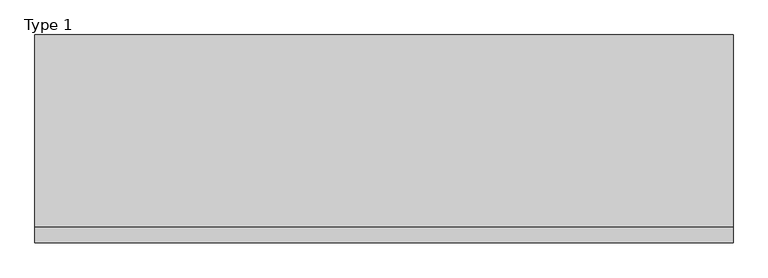
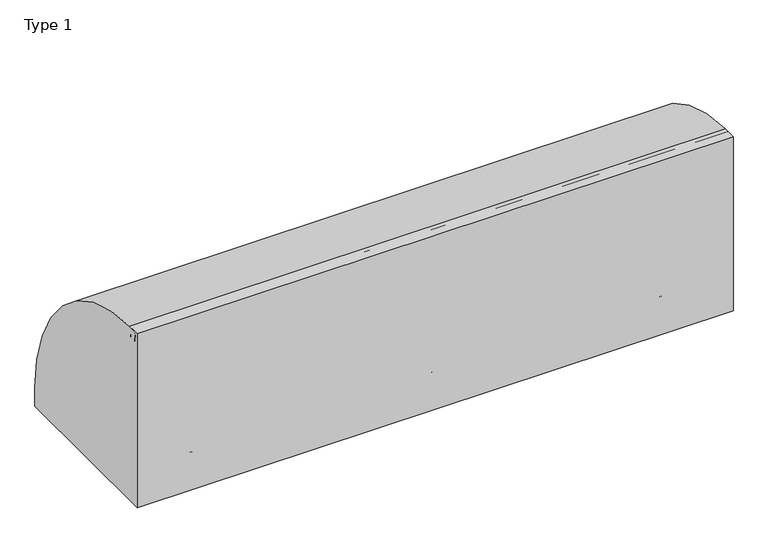
"""IFC4 building model written with IfcOpenShell, lengths in millimetres: railing geometry, Type 1."""

from ifc_helpers import new_model, si_unit, point, frame, frame_2d, origin, origin_with_axes, place, context, project, spatial, polyline, circle_curve, trimmed, segment, composite_curve, outline, extrude, source, transform, mapped, element, save
from ifc_brep_helpers import plane_surface, cylinder_surface, revolved_surface, advanced_brep


def type_1_213b0a68(model_context):
    return source(origin(), model_context, "Body", "SolidModel", [
        extrude(outline(composite_curve([segment(polyline([(-209.2, 1050.0), (-132.6546144, 1050.0)]), True, "CONTINUOUS"), segment(trimmed(circle_curve(frame_2d((-139.8273072, 108.0)), 942.0273072), [point((-132.6546144, 1050.0))], [point((802.2, 108.0))], False, "CARTESIAN"), True, "CONTINUOUS"), segment(polyline([(802.2, 108.0), (802.2, 0.0), (-209.2, 0.0), (-209.2, 1050.0)]), True, "CONTINUOUS")], self_intersect=False)), frame((-300.0, 0.0, 0.0), z_axis=(1.0, 0.0, 0.0), x_axis=(0.0, 1.0, 0.0)), (0.0, 0.0, 1.0), 3400.0),
        extrude(outline(composite_curve([segment(trimmed(circle_curve(frame_2d((-131.287505, 538.0)), 20.0), [point((-112.7, 530.617273))], [point((-147.0, 525.6259343))], False, "CARTESIAN"), True, "CONTINUOUS"), segment(polyline([(-147.0, 525.6259343), (-147.0, 550.3740657)]), True, "CONTINUOUS"), segment(trimmed(circle_curve(frame_2d((-131.287505, 538.0)), 20.0), [point((-147.0, 550.3740657))], [point((-112.7, 545.382727))], False, "CARTESIAN"), True, "CONTINUOUS"), segment(polyline([(-112.7, 545.382727), (-116.7, 545.382727), (-116.7, 530.617273), (-112.7, 530.617273)]), True, "CONTINUOUS")], self_intersect=False)), frame((-250.0, 0.0, 0.0), z_axis=(1.0, 0.0, 0.0), x_axis=(0.0, 1.0, 0.0)), (0.0, 0.0, 1.0), 3300.0),
        extrude(outline(composite_curve([segment(trimmed(circle_curve(frame_2d((-166.0, 1025.0)), 25.0), [point((-187.0, 1011.43534))], [point((-145.0, 1011.43534))], False, "CARTESIAN"), True, "CONTINUOUS"), segment(polyline([(-145.0, 1011.43534), (-145.0, 993.0), (-146.0, 993.0), (-146.0, 1008.0), (-186.0, 1008.0), (-186.0, 993.0), (-187.0, 993.0), (-187.0, 1011.43534)]), True, "CONTINUOUS")], self_intersect=False)), frame((-300.0, 0.0, 0.0), z_axis=(1.0, 0.0, 0.0), x_axis=(0.0, 1.0, 0.0)), (0.0, 0.0, 1.0), 3400.0),
        extrude(outline(polyline([(1320.0, -185.0), (1320.0, 0.0), (1365.0, 0.0), (1365.0, -185.0), (1320.0, -185.0)])), origin_with_axes(), (0.0, 0.0, 1.0), 2.5),
        extrude(outline(composite_curve([segment(polyline([(-185.0, 185.0), (-154.0180942, 185.0)]), True, "CONTINUOUS"), segment(trimmed(circle_curve(frame_2d((-154.0180942, 112.1212122)), 72.8787879), [point((-154.0180942, 185.0))], [point((-102.485009, 163.6542973))], False, "CARTESIAN"), True, "CONTINUOUS"), segment(polyline([(-102.485009, 163.6542973), (-4.3933983, 65.5626865)]), True, "CONTINUOUS"), segment(trimmed(circle_curve(frame_2d((-15.0, 54.9560848)), 15.0), [point((-4.3933983, 65.5626865))], [point((0.0, 54.9560848))], False, "CARTESIAN"), True, "CONTINUOUS"), segment(polyline([(0.0, 54.9560848), (0.0, 0.0), (-185.0, 0.0), (-185.0, 185.0)]), True, "CONTINUOUS")], self_intersect=False), holes=[composite_curve([segment(trimmed(circle_curve(frame_2d((-92.5196719, 93.0361975)), 5.6060606), [point((-98.1257325, 93.0361975))], [point((-86.9136113, 93.0361975))], True, "CARTESIAN"), True, "CONTINUOUS"), segment(trimmed(circle_curve(frame_2d((-165.5151515, 93.0361975)), 78.6015402), [point((-86.9136113, 93.0361975))], [point((-165.5151515, 171.6377377))], True, "CARTESIAN"), True, "CONTINUOUS"), segment(trimmed(circle_curve(frame_2d((-165.5151515, 166.0316771)), 5.6060606), [point((-165.5151515, 171.6377377))], [point((-171.1212121, 166.0316771))], True, "CARTESIAN"), True, "CONTINUOUS"), segment(polyline([(-171.1212121, 166.0316771), (-171.1212121, 143.5676849)]), True, "CONTINUOUS"), segment(trimmed(circle_curve(frame_2d((-165.5151515, 143.5676849)), 5.6060606), [point((-171.1212121, 143.5676849))], [point((-159.9090909, 143.5676849))], True, "CARTESIAN"), True, "CONTINUOUS"), segment(polyline([(-159.9090909, 143.5676849), (-159.9090909, 157.7293747)]), True, "CONTINUOUS"), segment(trimmed(circle_curve(frame_2d((-157.6849895, 157.7293747)), 2.2241014), [point((-159.9090909, 157.7293747))], [point((-157.417745, 159.9373619))], False, "CARTESIAN"), True, "CONTINUOUS"), segment(trimmed(circle_curve(frame_2d((-165.5151515, 93.0361975)), 67.389419), [point((-157.417745, 159.9373619))], [point((-98.1257325, 93.0361975))], False, "CARTESIAN"), True, "CONTINUOUS")], self_intersect=False)]), frame((1365.0, 0.0, 0.0), z_axis=(1.0, 0.0, 0.0), x_axis=(0.0, 1.0, 0.0)), (0.0, 0.0, 1.0), 3.0),
        advanced_brep(
        [(1432.0, -185.0, 185.0), (1432.0, -154.0180942, 185.0), (1432.0, -102.485009, 163.6542973), (1432.0, -4.3933983, 65.5626865), (1432.0, 0.0, 54.9560848), (1432.0, 0.0, 0.0), (1432.0, -185.0, 0.0), (1432.0, -185.0, 100.9768515), (1432.0, -98.1257325, 93.0361975), (1432.0, -86.9136113, 93.0361975), (1432.0, -165.5151515, 171.6377377), (1432.0, -171.1212121, 166.0316771), (1432.0, -171.1212121, 143.5676849), (1432.0, -159.9090909, 143.5676849), (1432.0, -159.9090909, 157.7293747), (1432.0, -157.417745, 159.9373619), (1435.0, 0.0, 54.9560848), (1435.0, -4.3933983, 65.5626865), (1435.0, -102.485009, 163.6542973), (1435.0, -154.0180942, 185.0), (1435.0, -188.0, 185.0), (1435.0, -188.0, 100.9768515), (1435.0, -185.0, 100.9768515), (1435.0, -185.0, 2.5), (1435.0, 0.0, 2.5), (1435.0, -98.1257325, 93.0361975), (1435.0, -157.417745, 159.9373619), (1435.0, -159.9090909, 157.7293747), (1435.0, -159.9090909, 143.5676849), (1435.0, -171.1212121, 143.5676849), (1435.0, -171.1212121, 166.0316771), (1435.0, -165.5151515, 171.6377377), (1435.0, -86.9136113, 93.0361975), (1365.0, -185.0, 185.0), (1365.0, -188.0, 185.0), (1480.0, 0.0, 2.5), (1480.0, 0.0, 0.0), (1480.0, -185.0, 0.0), (1480.0, -185.0, 2.5), (1365.0, -188.0, 100.9768515), (1365.0, -185.0, 100.9768515)],
        [
            (0, 1),
            (1, 2, circle_curve(frame((1432.0, -154.0180942, 112.1212122), z_axis=(-1.0, 0.0, 0.0), x_axis=(0.0, -1.0, 0.0)), 72.8787879)),
            (2, 3),
            (3, 4, circle_curve(frame((1432.0, -15.0, 54.9560848), z_axis=(-1.0, 0.0, 0.0), x_axis=(0.0, -1.0, 0.0)), 15.0)),
            (4, 5),
            (5, 6),
            (6, 7),
            (7, 0),
            (8, 9, circle_curve(frame((1432.0, -92.5196719, 93.0361975), z_axis=(1.0, 0.0, 0.0), x_axis=(0.0, -1.0, 0.0)), 5.6060606)),
            (9, 10, circle_curve(frame((1432.0, -165.5151515, 93.0361975), z_axis=(1.0, 0.0, 0.0), x_axis=(0.0, -1.0, 0.0)), 78.6015402)),
            (10, 11, circle_curve(frame((1432.0, -165.5151515, 166.0316771), z_axis=(1.0, 0.0, 0.0), x_axis=(0.0, -1.0, 0.0)), 5.6060606)),
            (11, 12),
            (12, 13, circle_curve(frame((1432.0, -165.5151515, 143.5676849), z_axis=(1.0, 0.0, 0.0), x_axis=(0.0, -1.0, 0.0)), 5.6060606)),
            (13, 14),
            (14, 15, circle_curve(frame((1432.0, -157.6849895, 157.7293747), z_axis=(-1.0, 0.0, 0.0), x_axis=(0.0, -1.0, 0.0)), 2.2241014)),
            (15, 8, circle_curve(frame((1432.0, -165.5151515, 93.0361975), z_axis=(-1.0, 0.0, 0.0), x_axis=(0.0, -1.0, 0.0)), 67.389419)),
            (16, 17, circle_curve(frame((1435.0, -15.0, 54.9560848), z_axis=(1.0, 0.0, 0.0), x_axis=(0.0, -1.0, 0.0)), 15.0)),
            (17, 18),
            (18, 19, circle_curve(frame((1435.0, -154.0180942, 112.1212122), z_axis=(1.0, 0.0, 0.0), x_axis=(0.0, -1.0, 0.0)), 72.8787879)),
            (19, 20),
            (20, 21),
            (21, 22),
            (22, 23),
            (23, 24),
            (24, 16),
            (25, 26, circle_curve(frame((1435.0, -165.5151515, 93.0361975), z_axis=(1.0, 0.0, 0.0), x_axis=(0.0, -1.0, 0.0)), 67.389419)),
            (26, 27, circle_curve(frame((1435.0, -157.6849895, 157.7293747), z_axis=(1.0, 0.0, 0.0), x_axis=(0.0, -1.0, 0.0)), 2.2241014)),
            (27, 28),
            (28, 29, circle_curve(frame((1435.0, -165.5151515, 143.5676849), z_axis=(-1.0, 0.0, 0.0), x_axis=(0.0, -1.0, 0.0)), 5.6060606)),
            (29, 30),
            (30, 31, circle_curve(frame((1435.0, -165.5151515, 166.0316771), z_axis=(-1.0, 0.0, 0.0), x_axis=(0.0, -1.0, 0.0)), 5.6060606)),
            (31, 32, circle_curve(frame((1435.0, -165.5151515, 93.0361975), z_axis=(-1.0, 0.0, 0.0), x_axis=(0.0, -1.0, 0.0)), 78.6015402)),
            (32, 25, circle_curve(frame((1435.0, -92.5196719, 93.0361975), z_axis=(-1.0, 0.0, 0.0), x_axis=(0.0, -1.0, 0.0)), 5.6060606)),
            (0, 33),
            (33, 34),
            (34, 20),
            (19, 1),
            (18, 2),
            (17, 3),
            (16, 4),
            (24, 35),
            (35, 36),
            (36, 5),
            (36, 37),
            (37, 6),
            (37, 38),
            (38, 23),
            (22, 7),
            (8, 25),
            (32, 9),
            (31, 10),
            (30, 11),
            (15, 26),
            (29, 12),
            (28, 13),
            (27, 14),
            (34, 39),
            (39, 21),
            (40, 33),
            (7, 40),
            (40, 39),
            (38, 35),
        ],
        [
            plane_surface(frame((1432.0, -183.2270223, 185.0), z_axis=(-1.0, 0.0, 0.0), x_axis=(0.0, 1.0, 0.0))),
            plane_surface(frame((1435.0, -183.2270223, 185.0), z_axis=(1.0, 0.0, 0.0), x_axis=(0.0, -1.0, 0.0))),
            plane_surface(frame((1432.0, -185.0, 185.0), z_axis=(0.0, 0.0, 1.0), x_axis=(1.0, 0.0, 0.0))),
            cylinder_surface(frame((1435.0, -154.0180942, 112.1212122), z_axis=(-1.0, 0.0, 0.0), x_axis=(0.0, -1.0, 0.0)), 72.8787879),
            plane_surface(frame((1432.0, -102.485009, 163.6542973), z_axis=(0.0, 0.7071067811865421, 0.707106781186553), x_axis=(1.0, 0.0, 0.0))),
            cylinder_surface(frame((1435.0, -15.0, 54.9560848), z_axis=(-1.0, 0.0, 0.0), x_axis=(0.0, -1.0, 0.0)), 15.0),
            plane_surface(frame((1432.0, 0.0, 54.9560848), z_axis=(0.0, 1.0, 0.0), x_axis=(1.0, 0.0, 0.0))),
            plane_surface(frame((1432.0, 0.0, 0.0), z_axis=(0.0, 0.0, -1.0), x_axis=(1.0, 0.0, 0.0))),
            plane_surface(frame((1432.0, -185.0, 0.0), z_axis=(0.0, -1.0, 0.0), x_axis=(1.0, 0.0, 0.0))),
            revolved_surface(polyline([(1435.0, -98.12573250000001, 93.0361975), (1432.0, -98.12573250000001, 93.0361975)]), (1435.0, -92.5196719, 93.0361975), (1.0, 0.0, 0.0)),
            revolved_surface(polyline([(1435.0, -244.1166917, 93.0361975), (1432.0, -244.1166917, 93.0361975)]), (1435.0, -165.5151515, 93.0361975), (1.0, 0.0, 0.0)),
            revolved_surface(polyline([(1435.0, -171.1212121, 166.0316771), (1432.0, -171.1212121, 166.0316771)]), (1435.0, -165.5151515, 166.0316771), (1.0, 0.0, 0.0)),
            cylinder_surface(frame((1435.0, -165.5151515, 93.0361975), z_axis=(-1.0, 0.0, 0.0), x_axis=(0.0, -1.0, 0.0)), 67.389419),
            plane_surface(frame((1432.0, -171.1212121, 166.0316771), z_axis=(0.0, 1.0, 0.0), x_axis=(1.0, 0.0, 0.0))),
            revolved_surface(polyline([(1435.0, -171.1212121, 143.5676849), (1432.0, -171.1212121, 143.5676849)]), (1435.0, -165.5151515, 143.5676849), (1.0, 0.0, 0.0)),
            plane_surface(frame((1432.0, -159.9090909, 143.5676849), z_axis=(0.0, -1.0, 0.0), x_axis=(1.0, 0.0, 0.0))),
            cylinder_surface(frame((1435.0, -157.6849895, 157.7293747), z_axis=(-1.0, 0.0, 0.0), x_axis=(0.0, -1.0, 0.0)), 2.2241014),
            plane_surface(frame((1365.0, -188.0, 185.0), z_axis=(0.0, -1.0, 0.0), x_axis=(-1.0, 0.0, 0.0))),
            plane_surface(frame((1365.0, -185.0, 185.0), z_axis=(0.0, 1.0, 0.0), x_axis=(1.0, 0.0, 0.0))),
            plane_surface(frame((1365.0, -188.0, 185.0), z_axis=(-1.0, 0.0, 0.0), x_axis=(0.0, 1.0, 0.0))),
            plane_surface(frame((1365.0, -188.0, 100.9768515), z_axis=(0.0, 0.0, -1.0), x_axis=(0.0, 1.0, 0.0))),
            plane_surface(frame((1480.0, -185.0, 2.5), z_axis=(0.0, 0.0, 1.0), x_axis=(0.0, 1.0, 0.0))),
            plane_surface(frame((1480.0, -185.0, 2.5), z_axis=(1.0, 0.0, 0.0), x_axis=(0.0, 0.0, -1.0))),
        ],
        [
            (0, [[1, 2, 3, 4, 5, 6, 7, 8], [9, 10, 11, 12, 13, 14, 15, 16]]),
            (1, [[17, 18, 19, 20, 21, 22, 23, 24, 25], [26, 27, 28, 29, 30, 31, 32, 33]]),
            (2, [[-1, 34, 35, 36, -20, 37]]),
            (3, [[-2, -37, -19, 38]]),
            (4, [[-3, -38, -18, 39]]),
            (5, [[-4, -39, -17, 40]]),
            (6, [[-5, -40, -25, 41, 42, 43]]),
            (7, [[-6, -43, 44, 45]]),
            (8, [[-45, 46, 47, -23, 48, -7]]),
            (9, [[-9, 49, -33, 50]]),
            (10, [[-10, -50, -32, 51]]),
            (11, [[-11, -51, -31, 52]]),
            (12, [[-16, 53, -26, -49]]),
            (13, [[-12, -52, -30, 54]]),
            (14, [[-13, -54, -29, 55]]),
            (15, [[-14, -55, -28, 56]]),
            (16, [[-15, -56, -27, -53]]),
            (17, [[-36, 57, 58, -21]]),
            (18, [[59, -34, -8, 60]]),
            (19, [[-57, -35, -59, 61]]),
            (20, [[-58, -61, -60, -48, -22]]),
            (21, [[62, -41, -24, -47]]),
            (22, [[-62, -46, -44, -42]]),
        ],
    ),
        extrude(outline(composite_curve([segment(trimmed(circle_curve(frame_2d((1377.0, -180.0)), 5.0), [point((1377.0, -185.0))], [point((1372.0, -180.0))], False, "CARTESIAN"), True, "CONTINUOUS"), segment(polyline([(1372.0, -180.0), (1372.0, -152.0)]), True, "CONTINUOUS"), segment(trimmed(circle_curve(frame_2d((1377.0, -152.0)), 5.0), [point((1372.0, -152.0))], [point((1377.0, -147.0))], False, "CARTESIAN"), True, "CONTINUOUS"), segment(polyline([(1377.0, -147.0), (1423.0, -147.0)]), True, "CONTINUOUS"), segment(trimmed(circle_curve(frame_2d((1423.0, -152.0)), 5.0), [point((1423.0, -147.0))], [point((1428.0, -152.0))], False, "CARTESIAN"), True, "CONTINUOUS"), segment(polyline([(1428.0, -152.0), (1428.0, -180.0)]), True, "CONTINUOUS"), segment(trimmed(circle_curve(frame_2d((1423.0, -180.0)), 5.0), [point((1428.0, -180.0))], [point((1423.0, -185.0))], False, "CARTESIAN"), True, "CONTINUOUS"), segment(polyline([(1423.0, -185.0), (1377.0, -185.0)]), True, "CONTINUOUS")], self_intersect=False)), frame((0.0, 0.0, 43.0), z_axis=(0.0, 0.0, 1.0), x_axis=(1.0, 0.0, 0.0)), (0.0, 0.0, 1.0), 965.0),
        extrude(outline(polyline([(2692.0, -185.0), (2692.0, 0.0), (2737.0, 0.0), (2737.0, -185.0), (2692.0, -185.0)])), origin_with_axes(), (0.0, 0.0, 1.0), 2.5),
        extrude(outline(composite_curve([segment(polyline([(-185.0, 185.0), (-154.0180942, 185.0)]), True, "CONTINUOUS"), segment(trimmed(circle_curve(frame_2d((-154.0180942, 112.1212122)), 72.8787879), [point((-154.0180942, 185.0))], [point((-102.485009, 163.6542973))], False, "CARTESIAN"), True, "CONTINUOUS"), segment(polyline([(-102.485009, 163.6542973), (-4.3933983, 65.5626865)]), True, "CONTINUOUS"), segment(trimmed(circle_curve(frame_2d((-15.0, 54.9560848)), 15.0), [point((-4.3933983, 65.5626865))], [point((0.0, 54.9560848))], False, "CARTESIAN"), True, "CONTINUOUS"), segment(polyline([(0.0, 54.9560848), (0.0, 0.0), (-185.0, 0.0), (-185.0, 185.0)]), True, "CONTINUOUS")], self_intersect=False), holes=[composite_curve([segment(trimmed(circle_curve(frame_2d((-92.5196719, 93.0361975)), 5.6060606), [point((-98.1257325, 93.0361975))], [point((-86.9136113, 93.0361975))], True, "CARTESIAN"), True, "CONTINUOUS"), segment(trimmed(circle_curve(frame_2d((-165.5151515, 93.0361975)), 78.6015402), [point((-86.9136113, 93.0361975))], [point((-165.5151515, 171.6377377))], True, "CARTESIAN"), True, "CONTINUOUS"), segment(trimmed(circle_curve(frame_2d((-165.5151515, 166.0316771)), 5.6060606), [point((-165.5151515, 171.6377377))], [point((-171.1212121, 166.0316771))], True, "CARTESIAN"), True, "CONTINUOUS"), segment(polyline([(-171.1212121, 166.0316771), (-171.1212121, 143.5676849)]), True, "CONTINUOUS"), segment(trimmed(circle_curve(frame_2d((-165.5151515, 143.5676849)), 5.6060606), [point((-171.1212121, 143.5676849))], [point((-159.9090909, 143.5676849))], True, "CARTESIAN"), True, "CONTINUOUS"), segment(polyline([(-159.9090909, 143.5676849), (-159.9090909, 157.7293747)]), True, "CONTINUOUS"), segment(trimmed(circle_curve(frame_2d((-157.6849895, 157.7293747)), 2.2241014), [point((-159.9090909, 157.7293747))], [point((-157.417745, 159.9373619))], False, "CARTESIAN"), True, "CONTINUOUS"), segment(trimmed(circle_curve(frame_2d((-165.5151515, 93.0361975)), 67.389419), [point((-157.417745, 159.9373619))], [point((-98.1257325, 93.0361975))], False, "CARTESIAN"), True, "CONTINUOUS")], self_intersect=False)]), frame((2737.0, 0.0, 0.0), z_axis=(1.0, 0.0, 0.0), x_axis=(0.0, 1.0, 0.0)), (0.0, 0.0, 1.0), 3.0),
        advanced_brep(
        [(2804.0, -185.0, 185.0), (2804.0, -154.0180942, 185.0), (2804.0, -102.485009, 163.6542973), (2804.0, -4.3933983, 65.5626865), (2804.0, 0.0, 54.9560848), (2804.0, 0.0, 0.0), (2804.0, -185.0, 0.0), (2804.0, -185.0, 100.9768515), (2804.0, -98.1257325, 93.0361975), (2804.0, -86.9136113, 93.0361975), (2804.0, -165.5151515, 171.6377377), (2804.0, -171.1212121, 166.0316771), (2804.0, -171.1212121, 143.5676849), (2804.0, -159.9090909, 143.5676849), (2804.0, -159.9090909, 157.7293747), (2804.0, -157.417745, 159.9373619), (2807.0, 0.0, 54.9560848), (2807.0, -4.3933983, 65.5626865), (2807.0, -102.485009, 163.6542973), (2807.0, -154.0180942, 185.0), (2807.0, -188.0, 185.0), (2807.0, -188.0, 100.9768515), (2807.0, -185.0, 100.9768515), (2807.0, -185.0, 2.5), (2807.0, 0.0, 2.5), (2807.0, -98.1257325, 93.0361975), (2807.0, -157.417745, 159.9373619), (2807.0, -159.9090909, 157.7293747), (2807.0, -159.9090909, 143.5676849), (2807.0, -171.1212121, 143.5676849), (2807.0, -171.1212121, 166.0316771), (2807.0, -165.5151515, 171.6377377), (2807.0, -86.9136113, 93.0361975), (2737.0, -185.0, 185.0), (2737.0, -188.0, 185.0), (2852.0, 0.0, 2.5), (2852.0, 0.0, 0.0), (2852.0, -185.0, 0.0), (2852.0, -185.0, 2.5), (2737.0, -188.0, 100.9768515), (2737.0, -185.0, 100.9768515)],
        [
            (0, 1),
            (1, 2, circle_curve(frame((2804.0, -154.0180942, 112.1212122), z_axis=(-1.0, 0.0, 0.0), x_axis=(0.0, -1.0, 0.0)), 72.8787879)),
            (2, 3),
            (3, 4, circle_curve(frame((2804.0, -15.0, 54.9560848), z_axis=(-1.0, 0.0, 0.0), x_axis=(0.0, -1.0, 0.0)), 15.0)),
            (4, 5),
            (5, 6),
            (6, 7),
            (7, 0),
            (8, 9, circle_curve(frame((2804.0, -92.5196719, 93.0361975), z_axis=(1.0, 0.0, 0.0), x_axis=(0.0, -1.0, 0.0)), 5.6060606)),
            (9, 10, circle_curve(frame((2804.0, -165.5151515, 93.0361975), z_axis=(1.0, 0.0, 0.0), x_axis=(0.0, -1.0, 0.0)), 78.6015402)),
            (10, 11, circle_curve(frame((2804.0, -165.5151515, 166.0316771), z_axis=(1.0, 0.0, 0.0), x_axis=(0.0, -1.0, 0.0)), 5.6060606)),
            (11, 12),
            (12, 13, circle_curve(frame((2804.0, -165.5151515, 143.5676849), z_axis=(1.0, 0.0, 0.0), x_axis=(0.0, -1.0, 0.0)), 5.6060606)),
            (13, 14),
            (14, 15, circle_curve(frame((2804.0, -157.6849895, 157.7293747), z_axis=(-1.0, 0.0, 0.0), x_axis=(0.0, -1.0, 0.0)), 2.2241014)),
            (15, 8, circle_curve(frame((2804.0, -165.5151515, 93.0361975), z_axis=(-1.0, 0.0, 0.0), x_axis=(0.0, -1.0, 0.0)), 67.389419)),
            (16, 17, circle_curve(frame((2807.0, -15.0, 54.9560848), z_axis=(1.0, 0.0, 0.0), x_axis=(0.0, -1.0, 0.0)), 15.0)),
            (17, 18),
            (18, 19, circle_curve(frame((2807.0, -154.0180942, 112.1212122), z_axis=(1.0, 0.0, 0.0), x_axis=(0.0, -1.0, 0.0)), 72.8787879)),
            (19, 20),
            (20, 21),
            (21, 22),
            (22, 23),
            (23, 24),
            (24, 16),
            (25, 26, circle_curve(frame((2807.0, -165.5151515, 93.0361975), z_axis=(1.0, 0.0, 0.0), x_axis=(0.0, -1.0, 0.0)), 67.389419)),
            (26, 27, circle_curve(frame((2807.0, -157.6849895, 157.7293747), z_axis=(1.0, 0.0, 0.0), x_axis=(0.0, -1.0, 0.0)), 2.2241014)),
            (27, 28),
            (28, 29, circle_curve(frame((2807.0, -165.5151515, 143.5676849), z_axis=(-1.0, 0.0, 0.0), x_axis=(0.0, -1.0, 0.0)), 5.6060606)),
            (29, 30),
            (30, 31, circle_curve(frame((2807.0, -165.5151515, 166.0316771), z_axis=(-1.0, 0.0, 0.0), x_axis=(0.0, -1.0, 0.0)), 5.6060606)),
            (31, 32, circle_curve(frame((2807.0, -165.5151515, 93.0361975), z_axis=(-1.0, 0.0, 0.0), x_axis=(0.0, -1.0, 0.0)), 78.6015402)),
            (32, 25, circle_curve(frame((2807.0, -92.5196719, 93.0361975), z_axis=(-1.0, 0.0, 0.0), x_axis=(0.0, -1.0, 0.0)), 5.6060606)),
            (0, 33),
            (33, 34),
            (34, 20),
            (19, 1),
            (18, 2),
            (17, 3),
            (16, 4),
            (24, 35),
            (35, 36),
            (36, 5),
            (36, 37),
            (37, 6),
            (37, 38),
            (38, 23),
            (22, 7),
            (8, 25),
            (32, 9),
            (31, 10),
            (30, 11),
            (15, 26),
            (29, 12),
            (28, 13),
            (27, 14),
            (34, 39),
            (39, 21),
            (40, 33),
            (7, 40),
            (40, 39),
            (38, 35),
        ],
        [
            plane_surface(frame((2804.0, -183.2270223, 185.0), z_axis=(-1.0, 0.0, 0.0), x_axis=(0.0, 1.0, 0.0))),
            plane_surface(frame((2807.0, -183.2270223, 185.0), z_axis=(1.0, 0.0, 0.0), x_axis=(0.0, -1.0, 0.0))),
            plane_surface(frame((2804.0, -185.0, 185.0), z_axis=(0.0, 0.0, 1.0), x_axis=(1.0, 0.0, 0.0))),
            cylinder_surface(frame((2807.0, -154.0180942, 112.1212122), z_axis=(-1.0, 0.0, 0.0), x_axis=(0.0, -1.0, 0.0)), 72.8787879),
            plane_surface(frame((2804.0, -102.485009, 163.6542973), z_axis=(0.0, 0.7071067811865421, 0.707106781186553), x_axis=(1.0, 0.0, 0.0))),
            cylinder_surface(frame((2807.0, -15.0, 54.9560848), z_axis=(-1.0, 0.0, 0.0), x_axis=(0.0, -1.0, 0.0)), 15.0),
            plane_surface(frame((2804.0, 0.0, 54.9560848), z_axis=(0.0, 1.0, 0.0), x_axis=(1.0, 0.0, 0.0))),
            plane_surface(frame((2804.0, 0.0, 0.0), z_axis=(0.0, 0.0, -1.0), x_axis=(1.0, 0.0, 0.0))),
            plane_surface(frame((2804.0, -185.0, 0.0), z_axis=(0.0, -1.0, 0.0), x_axis=(1.0, 0.0, 0.0))),
            revolved_surface(polyline([(2807.0, -98.12573250000001, 93.0361975), (2804.0, -98.12573250000001, 93.0361975)]), (2807.0, -92.5196719, 93.0361975), (1.0, 0.0, 0.0)),
            revolved_surface(polyline([(2807.0, -244.1166917, 93.0361975), (2804.0, -244.1166917, 93.0361975)]), (2807.0, -165.5151515, 93.0361975), (1.0, 0.0, 0.0)),
            revolved_surface(polyline([(2807.0, -171.1212121, 166.0316771), (2804.0, -171.1212121, 166.0316771)]), (2807.0, -165.5151515, 166.0316771), (1.0, 0.0, 0.0)),
            cylinder_surface(frame((2807.0, -165.5151515, 93.0361975), z_axis=(-1.0, 0.0, 0.0), x_axis=(0.0, -1.0, 0.0)), 67.389419),
            plane_surface(frame((2804.0, -171.1212121, 166.0316771), z_axis=(0.0, 1.0, 0.0), x_axis=(1.0, 0.0, 0.0))),
            revolved_surface(polyline([(2807.0, -171.1212121, 143.5676849), (2804.0, -171.1212121, 143.5676849)]), (2807.0, -165.5151515, 143.5676849), (1.0, 0.0, 0.0)),
            plane_surface(frame((2804.0, -159.9090909, 143.5676849), z_axis=(0.0, -1.0, 0.0), x_axis=(1.0, 0.0, 0.0))),
            cylinder_surface(frame((2807.0, -157.6849895, 157.7293747), z_axis=(-1.0, 0.0, 0.0), x_axis=(0.0, -1.0, 0.0)), 2.2241014),
            plane_surface(frame((2737.0, -188.0, 185.0), z_axis=(0.0, -1.0, 0.0), x_axis=(-1.0, 0.0, 0.0))),
            plane_surface(frame((2737.0, -185.0, 185.0), z_axis=(0.0, 1.0, 0.0), x_axis=(1.0, 0.0, 0.0))),
            plane_surface(frame((2737.0, -188.0, 185.0), z_axis=(-1.0, 0.0, 0.0), x_axis=(0.0, 1.0, 0.0))),
            plane_surface(frame((2737.0, -188.0, 100.9768515), z_axis=(0.0, 0.0, -1.0), x_axis=(0.0, 1.0, 0.0))),
            plane_surface(frame((2852.0, -185.0, 2.5), z_axis=(0.0, 0.0, 1.0), x_axis=(0.0, 1.0, 0.0))),
            plane_surface(frame((2852.0, -185.0, 2.5), z_axis=(1.0, 0.0, 0.0), x_axis=(0.0, 0.0, -1.0))),
        ],
        [
            (0, [[1, 2, 3, 4, 5, 6, 7, 8], [9, 10, 11, 12, 13, 14, 15, 16]]),
            (1, [[17, 18, 19, 20, 21, 22, 23, 24, 25], [26, 27, 28, 29, 30, 31, 32, 33]]),
            (2, [[-1, 34, 35, 36, -20, 37]]),
            (3, [[-2, -37, -19, 38]]),
            (4, [[-3, -38, -18, 39]]),
            (5, [[-4, -39, -17, 40]]),
            (6, [[-5, -40, -25, 41, 42, 43]]),
            (7, [[-6, -43, 44, 45]]),
            (8, [[-45, 46, 47, -23, 48, -7]]),
            (9, [[-9, 49, -33, 50]]),
            (10, [[-10, -50, -32, 51]]),
            (11, [[-11, -51, -31, 52]]),
            (12, [[-16, 53, -26, -49]]),
            (13, [[-12, -52, -30, 54]]),
            (14, [[-13, -54, -29, 55]]),
            (15, [[-14, -55, -28, 56]]),
            (16, [[-15, -56, -27, -53]]),
            (17, [[-36, 57, 58, -21]]),
            (18, [[59, -34, -8, 60]]),
            (19, [[-57, -35, -59, 61]]),
            (20, [[-58, -61, -60, -48, -22]]),
            (21, [[62, -41, -24, -47]]),
            (22, [[-62, -46, -44, -42]]),
        ],
    ),
        extrude(outline(composite_curve([segment(trimmed(circle_curve(frame_2d((2749.0, -180.0)), 5.0), [point((2749.0, -185.0))], [point((2744.0, -180.0))], False, "CARTESIAN"), True, "CONTINUOUS"), segment(polyline([(2744.0, -180.0), (2744.0, -152.0)]), True, "CONTINUOUS"), segment(trimmed(circle_curve(frame_2d((2749.0, -152.0)), 5.0), [point((2744.0, -152.0))], [point((2749.0, -147.0))], False, "CARTESIAN"), True, "CONTINUOUS"), segment(polyline([(2749.0, -147.0), (2795.0, -147.0)]), True, "CONTINUOUS"), segment(trimmed(circle_curve(frame_2d((2795.0, -152.0)), 5.0), [point((2795.0, -147.0))], [point((2800.0, -152.0))], False, "CARTESIAN"), True, "CONTINUOUS"), segment(polyline([(2800.0, -152.0), (2800.0, -180.0)]), True, "CONTINUOUS"), segment(trimmed(circle_curve(frame_2d((2795.0, -180.0)), 5.0), [point((2800.0, -180.0))], [point((2795.0, -185.0))], False, "CARTESIAN"), True, "CONTINUOUS"), segment(polyline([(2795.0, -185.0), (2749.0, -185.0)]), True, "CONTINUOUS")], self_intersect=False)), frame((0.0, 0.0, 43.0), z_axis=(0.0, 0.0, 1.0), x_axis=(1.0, 0.0, 0.0)), (0.0, 0.0, 1.0), 965.0),
        extrude(outline(polyline([(-52.0, -185.0), (-52.0, 0.0), (-7.0, 0.0), (-7.0, -185.0), (-52.0, -185.0)])), origin_with_axes(), (0.0, 0.0, 1.0), 2.5),
        extrude(outline(composite_curve([segment(polyline([(-185.0, 185.0), (-154.0180942, 185.0)]), True, "CONTINUOUS"), segment(trimmed(circle_curve(frame_2d((-154.0180942, 112.1212121)), 72.8787879), [point((-154.0180942, 185.0))], [point((-102.485009, 163.6542972))], False, "CARTESIAN"), True, "CONTINUOUS"), segment(polyline([(-102.485009, 163.6542972), (-4.3933983, 65.5626865)]), True, "CONTINUOUS"), segment(trimmed(circle_curve(frame_2d((-15.0, 54.9560848)), 15.0), [point((-4.3933983, 65.5626865))], [point((0.0, 54.9560848))], False, "CARTESIAN"), True, "CONTINUOUS"), segment(polyline([(0.0, 54.9560848), (0.0, 0.0), (-185.0, 0.0), (-185.0, 185.0)]), True, "CONTINUOUS")], self_intersect=False), holes=[composite_curve([segment(trimmed(circle_curve(frame_2d((-92.5196719, 93.0361974)), 5.6060606), [point((-98.1257325, 93.0361974))], [point((-86.9136113, 93.0361974))], True, "CARTESIAN"), True, "CONTINUOUS"), segment(trimmed(circle_curve(frame_2d((-165.5151515, 93.0361974)), 78.6015402), [point((-86.9136113, 93.0361974))], [point((-165.5151515, 171.6377376))], True, "CARTESIAN"), True, "CONTINUOUS"), segment(trimmed(circle_curve(frame_2d((-165.5151515, 166.031677)), 5.6060606), [point((-165.5151515, 171.6377376))], [point((-171.1212121, 166.031677))], True, "CARTESIAN"), True, "CONTINUOUS"), segment(polyline([(-171.1212121, 166.031677), (-171.1212121, 143.5676849)]), True, "CONTINUOUS"), segment(trimmed(circle_curve(frame_2d((-165.5151515, 143.5676849)), 5.6060606), [point((-171.1212121, 143.5676849))], [point((-159.9090909, 143.5676849))], True, "CARTESIAN"), True, "CONTINUOUS"), segment(polyline([(-159.9090909, 143.5676849), (-159.9090909, 157.7293746)]), True, "CONTINUOUS"), segment(trimmed(circle_curve(frame_2d((-157.6849895, 157.7293746)), 2.2241014), [point((-159.9090909, 157.7293746))], [point((-157.417745, 159.9373618))], False, "CARTESIAN"), True, "CONTINUOUS"), segment(trimmed(circle_curve(frame_2d((-165.5151515, 93.0361974)), 67.389419), [point((-157.417745, 159.9373618))], [point((-98.1257325, 93.0361974))], False, "CARTESIAN"), True, "CONTINUOUS")], self_intersect=False)]), frame((-7.0, 0.0, 0.0), z_axis=(1.0, 0.0, 0.0), x_axis=(0.0, 1.0, 0.0)), (0.0, 0.0, 1.0), 3.0),
        advanced_brep(
        [(60.0, -185.0, 185.0), (60.0, -154.0180942, 185.0), (60.0, -102.485009, 163.6542972), (60.0, -4.3933983, 65.5626865), (60.0, 0.0, 54.9560848), (60.0, 0.0, 0.0), (60.0, -185.0, 0.0), (60.0, -185.0, 100.9768514), (60.0, -98.1257325, 93.0361974), (60.0, -86.9136113, 93.0361974), (60.0, -165.5151515, 171.6377376), (60.0, -171.1212121, 166.031677), (60.0, -171.1212121, 143.5676849), (60.0, -159.9090909, 143.5676849), (60.0, -159.9090909, 157.7293746), (60.0, -157.417745, 159.9373618), (63.0, 0.0, 54.9560848), (63.0, -4.3933983, 65.5626865), (63.0, -102.485009, 163.6542972), (63.0, -154.0180942, 185.0), (63.0, -188.0, 185.0), (63.0, -188.0, 100.9768514), (63.0, -185.0, 100.9768514), (63.0, -185.0, 2.5), (63.0, 0.0, 2.5), (63.0, -98.1257325, 93.0361974), (63.0, -157.417745, 159.9373618), (63.0, -159.9090909, 157.7293746), (63.0, -159.9090909, 143.5676849), (63.0, -171.1212121, 143.5676849), (63.0, -171.1212121, 166.031677), (63.0, -165.5151515, 171.6377376), (63.0, -86.9136113, 93.0361974), (-7.0, -185.0, 185.0), (-7.0, -188.0, 185.0), (108.0, 0.0, 2.5), (108.0, 0.0, 0.0), (108.0, -185.0, 0.0), (108.0, -185.0, 2.5), (-7.0, -188.0, 100.9768514), (-7.0, -185.0, 100.9768514)],
        [
            (0, 1),
            (1, 2, circle_curve(frame((60.0, -154.0180942, 112.1212121), z_axis=(-1.0, 0.0, 0.0), x_axis=(0.0, -1.0, 0.0)), 72.8787879)),
            (2, 3),
            (3, 4, circle_curve(frame((60.0, -15.0, 54.9560848), z_axis=(-1.0, 0.0, 0.0), x_axis=(0.0, -1.0, 0.0)), 15.0)),
            (4, 5),
            (5, 6),
            (6, 7),
            (7, 0),
            (8, 9, circle_curve(frame((60.0, -92.5196719, 93.0361974), z_axis=(1.0, 0.0, 0.0), x_axis=(0.0, -1.0, 0.0)), 5.6060606)),
            (9, 10, circle_curve(frame((60.0, -165.5151515, 93.0361974), z_axis=(1.0, 0.0, 0.0), x_axis=(0.0, -1.0, 0.0)), 78.6015402)),
            (10, 11, circle_curve(frame((60.0, -165.5151515, 166.031677), z_axis=(1.0, 0.0, 0.0), x_axis=(0.0, -1.0, 0.0)), 5.6060606)),
            (11, 12),
            (12, 13, circle_curve(frame((60.0, -165.5151515, 143.5676849), z_axis=(1.0, 0.0, 0.0), x_axis=(0.0, -1.0, 0.0)), 5.6060606)),
            (13, 14),
            (14, 15, circle_curve(frame((60.0, -157.6849895, 157.7293746), z_axis=(-1.0, 0.0, 0.0), x_axis=(0.0, -1.0, 0.0)), 2.2241014)),
            (15, 8, circle_curve(frame((60.0, -165.5151515, 93.0361974), z_axis=(-1.0, 0.0, 0.0), x_axis=(0.0, -1.0, 0.0)), 67.389419)),
            (16, 17, circle_curve(frame((63.0, -15.0, 54.9560848), z_axis=(1.0, 0.0, 0.0), x_axis=(0.0, -1.0, 0.0)), 15.0)),
            (17, 18),
            (18, 19, circle_curve(frame((63.0, -154.0180942, 112.1212121), z_axis=(1.0, 0.0, 0.0), x_axis=(0.0, -1.0, 0.0)), 72.8787879)),
            (19, 20),
            (20, 21),
            (21, 22),
            (22, 23),
            (23, 24),
            (24, 16),
            (25, 26, circle_curve(frame((63.0, -165.5151515, 93.0361974), z_axis=(1.0, 0.0, 0.0), x_axis=(0.0, -1.0, 0.0)), 67.389419)),
            (26, 27, circle_curve(frame((63.0, -157.6849895, 157.7293746), z_axis=(1.0, 0.0, 0.0), x_axis=(0.0, -1.0, 0.0)), 2.2241014)),
            (27, 28),
            (28, 29, circle_curve(frame((63.0, -165.5151515, 143.5676849), z_axis=(-1.0, 0.0, 0.0), x_axis=(0.0, -1.0, 0.0)), 5.6060606)),
            (29, 30),
            (30, 31, circle_curve(frame((63.0, -165.5151515, 166.031677), z_axis=(-1.0, 0.0, 0.0), x_axis=(0.0, -1.0, 0.0)), 5.6060606)),
            (31, 32, circle_curve(frame((63.0, -165.5151515, 93.0361974), z_axis=(-1.0, 0.0, 0.0), x_axis=(0.0, -1.0, 0.0)), 78.6015402)),
            (32, 25, circle_curve(frame((63.0, -92.5196719, 93.0361974), z_axis=(-1.0, 0.0, 0.0), x_axis=(0.0, -1.0, 0.0)), 5.6060606)),
            (0, 33),
            (33, 34),
            (34, 20),
            (19, 1),
            (18, 2),
            (17, 3),
            (16, 4),
            (24, 35),
            (35, 36),
            (36, 5),
            (36, 37),
            (37, 6),
            (37, 38),
            (38, 23),
            (22, 7),
            (8, 25),
            (32, 9),
            (31, 10),
            (30, 11),
            (15, 26),
            (29, 12),
            (28, 13),
            (27, 14),
            (34, 39),
            (39, 21),
            (40, 33),
            (7, 40),
            (40, 39),
            (38, 35),
        ],
        [
            plane_surface(frame((60.0, -183.2270223, 185.0), z_axis=(-1.0, 0.0, 0.0), x_axis=(0.0, 1.0, 0.0))),
            plane_surface(frame((63.0, -183.2270223, 185.0), z_axis=(1.0, 0.0, 0.0), x_axis=(0.0, -1.0, 0.0))),
            plane_surface(frame((60.0, -185.0, 185.0), z_axis=(0.0, 0.0, 1.0), x_axis=(1.0, 0.0, 0.0))),
            cylinder_surface(frame((63.0, -154.0180942, 112.1212121), z_axis=(-1.0, 0.0, 0.0), x_axis=(0.0, -1.0, 0.0)), 72.8787879),
            plane_surface(frame((60.0, -102.485009, 163.6542972), z_axis=(0.0, 0.7071067811865421, 0.707106781186553), x_axis=(1.0, 0.0, 0.0))),
            cylinder_surface(frame((63.0, -15.0, 54.9560848), z_axis=(-1.0, 0.0, 0.0), x_axis=(0.0, -1.0, 0.0)), 15.0),
            plane_surface(frame((60.0, 0.0, 54.9560848), z_axis=(0.0, 1.0, 0.0), x_axis=(1.0, 0.0, 0.0))),
            plane_surface(frame((60.0, 0.0, 0.0), z_axis=(0.0, 0.0, -1.0), x_axis=(1.0, 0.0, 0.0))),
            plane_surface(frame((60.0, -185.0, 0.0), z_axis=(0.0, -1.0, 0.0), x_axis=(1.0, 0.0, 0.0))),
            revolved_surface(polyline([(63.0, -98.12573250000001, 93.0361974), (60.0, -98.12573250000001, 93.0361974)]), (63.0, -92.5196719, 93.0361974), (1.0, 0.0, 0.0)),
            revolved_surface(polyline([(63.0, -244.1166917, 93.0361974), (60.0, -244.1166917, 93.0361974)]), (63.0, -165.5151515, 93.0361974), (1.0, 0.0, 0.0)),
            revolved_surface(polyline([(63.0, -171.1212121, 166.031677), (60.0, -171.1212121, 166.031677)]), (63.0, -165.5151515, 166.031677), (1.0, 0.0, 0.0)),
            cylinder_surface(frame((63.0, -165.5151515, 93.0361974), z_axis=(-1.0, 0.0, 0.0), x_axis=(0.0, -1.0, 0.0)), 67.389419),
            plane_surface(frame((60.0, -171.1212121, 166.031677), z_axis=(0.0, 1.0, 0.0), x_axis=(1.0, 0.0, 0.0))),
            revolved_surface(polyline([(63.0, -171.1212121, 143.5676849), (60.0, -171.1212121, 143.5676849)]), (63.0, -165.5151515, 143.5676849), (1.0, 0.0, 0.0)),
            plane_surface(frame((60.0, -159.9090909, 143.5676849), z_axis=(0.0, -1.0, 0.0), x_axis=(1.0, 0.0, 0.0))),
            cylinder_surface(frame((63.0, -157.6849895, 157.7293746), z_axis=(-1.0, 0.0, 0.0), x_axis=(0.0, -1.0, 0.0)), 2.2241014),
            plane_surface(frame((-7.0, -188.0, 185.0), z_axis=(0.0, -1.0, 0.0), x_axis=(-1.0, 0.0, 0.0))),
            plane_surface(frame((-7.0, -185.0, 185.0), z_axis=(0.0, 1.0, 0.0), x_axis=(1.0, 0.0, 0.0))),
            plane_surface(frame((-7.0, -188.0, 185.0), z_axis=(-1.0, 0.0, 0.0), x_axis=(0.0, 1.0, 0.0))),
            plane_surface(frame((-7.0, -188.0, 100.9768514), z_axis=(0.0, 0.0, -1.0), x_axis=(0.0, 1.0, 0.0))),
            plane_surface(frame((108.0, -185.0, 2.5), z_axis=(0.0, 0.0, 1.0), x_axis=(0.0, 1.0, 0.0))),
            plane_surface(frame((108.0, -185.0, 2.5), z_axis=(1.0, 0.0, 0.0), x_axis=(0.0, 0.0, -1.0))),
        ],
        [
            (0, [[1, 2, 3, 4, 5, 6, 7, 8], [9, 10, 11, 12, 13, 14, 15, 16]]),
            (1, [[17, 18, 19, 20, 21, 22, 23, 24, 25], [26, 27, 28, 29, 30, 31, 32, 33]]),
            (2, [[-1, 34, 35, 36, -20, 37]]),
            (3, [[-2, -37, -19, 38]]),
            (4, [[-3, -38, -18, 39]]),
            (5, [[-4, -39, -17, 40]]),
            (6, [[-5, -40, -25, 41, 42, 43]]),
            (7, [[-6, -43, 44, 45]]),
            (8, [[-45, 46, 47, -23, 48, -7]]),
            (9, [[-9, 49, -33, 50]]),
            (10, [[-10, -50, -32, 51]]),
            (11, [[-11, -51, -31, 52]]),
            (12, [[-16, 53, -26, -49]]),
            (13, [[-12, -52, -30, 54]]),
            (14, [[-13, -54, -29, 55]]),
            (15, [[-14, -55, -28, 56]]),
            (16, [[-15, -56, -27, -53]]),
            (17, [[-36, 57, 58, -21]]),
            (18, [[59, -34, -8, 60]]),
            (19, [[-57, -35, -59, 61]]),
            (20, [[-58, -61, -60, -48, -22]]),
            (21, [[62, -41, -24, -47]]),
            (22, [[-62, -46, -44, -42]]),
        ],
    ),
        extrude(outline(composite_curve([segment(trimmed(circle_curve(frame_2d((5.0, -180.0)), 5.0), [point((5.0, -185.0))], [point((0.0, -180.0))], False, "CARTESIAN"), True, "CONTINUOUS"), segment(polyline([(0.0, -180.0), (0.0, -152.0)]), True, "CONTINUOUS"), segment(trimmed(circle_curve(frame_2d((5.0, -152.0)), 5.0), [point((0.0, -152.0))], [point((5.0, -147.0))], False, "CARTESIAN"), True, "CONTINUOUS"), segment(polyline([(5.0, -147.0), (51.0, -147.0)]), True, "CONTINUOUS"), segment(trimmed(circle_curve(frame_2d((51.0, -152.0)), 5.0), [point((51.0, -147.0))], [point((56.0, -152.0))], False, "CARTESIAN"), True, "CONTINUOUS"), segment(polyline([(56.0, -152.0), (56.0, -180.0)]), True, "CONTINUOUS"), segment(trimmed(circle_curve(frame_2d((51.0, -180.0)), 5.0), [point((56.0, -180.0))], [point((51.0, -185.0))], False, "CARTESIAN"), True, "CONTINUOUS"), segment(polyline([(51.0, -185.0), (5.0, -185.0)]), True, "CONTINUOUS")], self_intersect=False)), frame((0.0, 0.0, 43.0), z_axis=(0.0, 0.0, 1.0), x_axis=(1.0, 0.0, 0.0)), (0.0, 0.0, 1.0), 965.0),
    ])


if __name__ == "__main__":
    model = new_model("IFC4")
    model_context = context("Model", 3, world=origin())
    ifc_project = project(units=[si_unit("LENGTHUNIT", "METRE", prefix="MILLI")], contexts=[model_context])
    site = spatial("IfcSite", under=ifc_project)
    building = spatial("IfcBuilding", under=site)
    placement = place(None, origin())
    type_1_shape = type_1_213b0a68(model_context)
    element("IfcRailing", 1, ObjectType="Type 1", at=placement, inside=building, context=model_context, shape_type="MappedRepresentation", body=[
        mapped(type_1_shape, transform((0.0, 0.0, 0.0), x_axis=(1.0, 0.0, 0.0), y_axis=(0.0, 1.0, 0.0), z_axis=(0.0, 0.0, 1.0))),
    ])
    save(model, "model.ifc")
